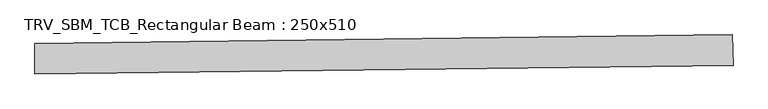
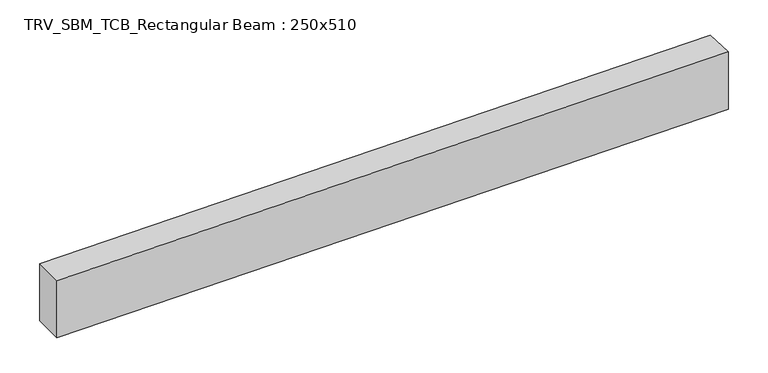
"""IFC4 building model written with IfcOpenShell, lengths in millimetres: beam geometry, TRV_SBM_TCB_Rectangular Beam : 250x510."""

from ifc_helpers import new_model, si_unit, point, frame, frame_2d, origin, place, context, project, spatial, polyline, circle_curve, trimmed, segment, composite_curve, outline, extrude, source, transform, mapped, element, save


def trv_sbm_tcb_rectangular_beam_250x510_8a404862(model_context):
    return source(origin(), model_context, "Body", "SweptSolid", [
        extrude(outline(composite_curve([segment(polyline([(5681.0291955, 195.9369561), (5687.2715413, -53.985098)]), True, "CONTINUOUS"), segment(trimmed(circle_curve(frame_2d((0.0, 227644.8045086)), 227769.8045086), [point((5687.2715413, -53.985098))], [point((-12.7070656, -124.9996455))], False, "CARTESIAN"), True, "CONTINUOUS"), segment(polyline([(-12.7070656, -124.9996455), (-12.6931184, 125.0003541)]), True, "CONTINUOUS"), segment(trimmed(circle_curve(frame_2d((0.0, 227644.8045086)), 227519.8045086), [point((-12.6931184, 125.0003541))], [point((5681.0291955, 195.9369561))], True, "CARTESIAN"), True, "CONTINUOUS")], self_intersect=False)), frame((0.0, 0.0, -255.0), z_axis=(0.0, 0.0, 1.0), x_axis=(1.0, 0.0, 0.0)), (0.0, 0.0, 1.0), 510.0),
    ])


if __name__ == "__main__":
    model = new_model("IFC4")
    model_context = context("Model", 3, world=origin())
    ifc_project = project(units=[si_unit("LENGTHUNIT", "METRE", prefix="MILLI")], contexts=[model_context])
    site = spatial("IfcSite", under=ifc_project)
    building = spatial("IfcBuilding", under=site)
    placement = place(None, origin())
    trv_sbm_tcb_rectangular_beam_250x510_shape = trv_sbm_tcb_rectangular_beam_250x510_8a404862(model_context)
    element("IfcBeam", 1, ObjectType="TRV_SBM_TCB_Rectangular Beam : 250x510", at=placement, inside=building, context=model_context, shape_type="MappedRepresentation", body=[
        mapped(trv_sbm_tcb_rectangular_beam_250x510_shape, transform((0.0, 0.0, 0.0), x_axis=(1.0, 0.0, 0.0), y_axis=(0.0, 1.0, 0.0), z_axis=(0.0, 0.0, 1.0))),
    ])
    save(model, "model.ifc")
